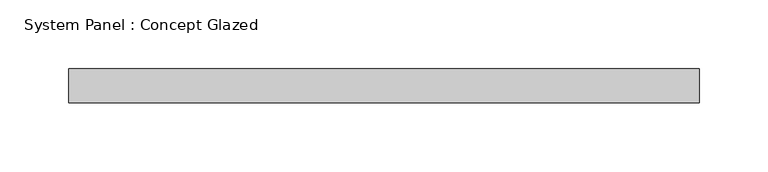
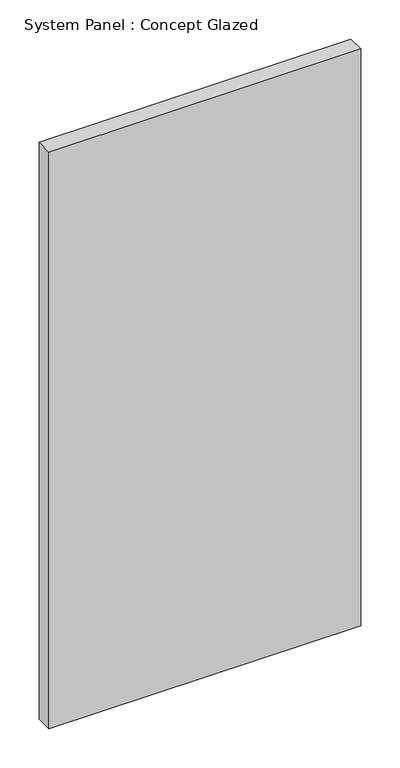
"""IFC4 building model written with IfcOpenShell, lengths in millimetres: plate geometry, System Panel : Concept Glazed."""

from ifc_helpers import new_model, si_unit, origin, origin_with_axes, place, context, project, spatial, polyline, outline, extrude, source, transform, mapped, element, save


def system_panel_concept_glazed_22bf8e72(model_context):
    return source(origin(), model_context, "Body", "SweptSolid", [
        extrude(outline(polyline([(230.0, 0.0), (-230.0, 0.0), (-230.0, 25.0), (230.0, 25.0), (230.0, 0.0)])), origin_with_axes(), (0.0, 0.0, 1.0), 900.0),
    ])


if __name__ == "__main__":
    model = new_model("IFC4")
    model_context = context("Model", 3, world=origin())
    ifc_project = project(units=[si_unit("LENGTHUNIT", "METRE", prefix="MILLI")], contexts=[model_context])
    site = spatial("IfcSite", under=ifc_project)
    building = spatial("IfcBuilding", under=site)
    placement = place(None, origin())
    system_panel_concept_glazed_shape = system_panel_concept_glazed_22bf8e72(model_context)
    element("IfcPlate", 1, ObjectType="System Panel : Concept Glazed", at=placement, inside=building, context=model_context, shape_type="MappedRepresentation", body=[
        mapped(system_panel_concept_glazed_shape, transform((0.0, 0.0, 0.0), x_axis=(1.0, 0.0, 0.0), y_axis=(0.0, 1.0, 0.0), z_axis=(0.0, 0.0, 1.0))),
    ])
    save(model, "model.ifc")
